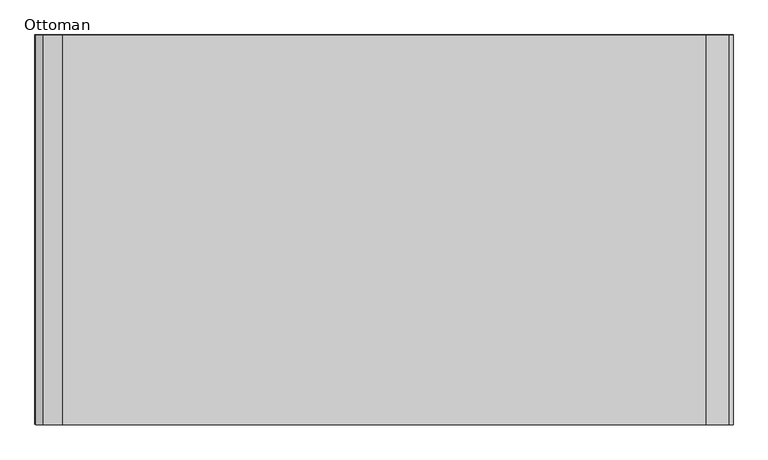
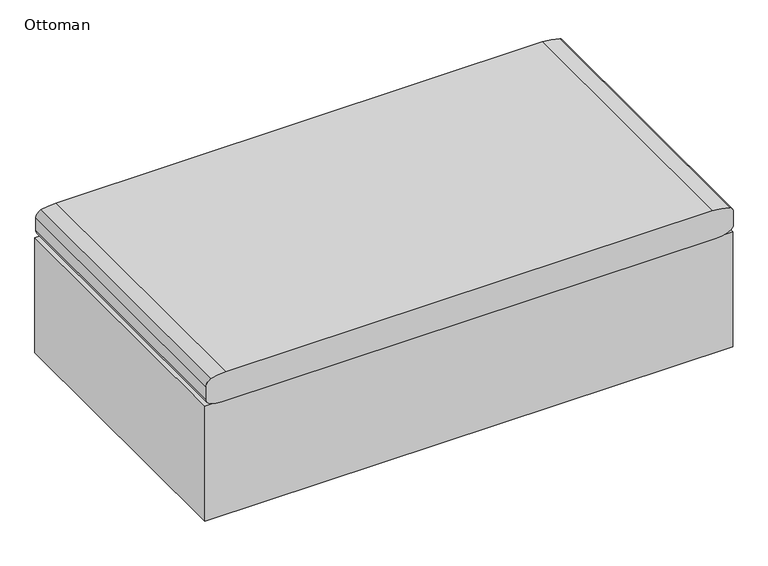
"""IFC4 building model written with IfcOpenShell, lengths in millimetres: furniture geometry, Ottoman."""

from ifc_helpers import new_model, si_unit, point, frame, frame_2d, origin, origin_with_axes, place, context, project, spatial, polyline, circle_curve, trimmed, segment, composite_curve, outline, extrude, source, transform, mapped, element, save


def ottoman_e7d2f5c5(model_context):
    return source(origin(), model_context, "Body", "SweptSolid", [
        extrude(outline(composite_curve([segment(trimmed(circle_curve(frame_2d((363.22793, -1082.5191338)), 17.5514575), [point((363.22793, -1100.0705913))], [point((347.025653, -1089.267458))], False, "CARTESIAN"), True, "CONTINUOUS"), segment(trimmed(circle_curve(frame_2d((423.2873007, -1057.504125)), 82.6120344), [point((347.025653, -1089.267458))], [point((340.6759712, -1057.8453888))], False, "CARTESIAN"), True, "CONTINUOUS"), segment(trimmed(circle_curve(frame_2d((156602.8890824, -412.3329489)), 156263.5463975), [point((340.6759712, -1057.8453888))], [point((340.6759712, 233.1794911))], False, "CARTESIAN"), True, "CONTINUOUS"), segment(trimmed(circle_curve(frame_2d((423.2873007, 232.8382272)), 82.6120344), [point((340.6759712, 233.1794911))], [point((349.3338908, 269.657263))], False, "CARTESIAN"), True, "CONTINUOUS"), segment(trimmed(circle_curve(frame_2d((360.6139755, 264.0412699)), 12.6007812), [point((349.3338908, 269.657263))], [point((360.6139755, 276.6420511))], False, "CARTESIAN"), True, "CONTINUOUS"), segment(polyline([(360.6139755, 276.6420511), (400.4453178, 276.6420511)]), True, "CONTINUOUS"), segment(trimmed(circle_curve(frame_2d((400.4453178, 264.0412699)), 12.6007813), [point((400.4453178, 276.6420511))], [point((412.4572005, 267.8484161))], False, "CARTESIAN"), True, "CONTINUOUS"), segment(trimmed(circle_curve(frame_2d((267.179627, 221.8029313)), 152.4), [point((412.4572005, 267.8484161))], [point((419.578468, 222.3972943))], False, "CARTESIAN"), True, "CONTINUOUS"), segment(trimmed(circle_curve(frame_2d((-162329.7185063, -412.3329489)), 162750.5347091), [point((419.578468, 222.3972943))], [point((419.578468, -1047.0631921))], False, "CARTESIAN"), True, "CONTINUOUS"), segment(trimmed(circle_curve(frame_2d((267.179627, -1046.4688291)), 152.4), [point((419.578468, -1047.0631921))], [point((414.3750051, -1085.9565573))], False, "CARTESIAN"), True, "CONTINUOUS"), segment(trimmed(circle_curve(frame_2d((395.9755828, -1081.0205913)), 19.05), [point((414.3750051, -1085.9565573))], [point((395.9755828, -1100.0705913))], False, "CARTESIAN"), True, "CONTINUOUS"), segment(polyline([(395.9755828, -1100.0705913), (363.22793, -1100.0705913)]), True, "CONTINUOUS")], self_intersect=False)), frame((0.0, -251.7070214, 0.0), z_axis=(0.0, 1.0, 0.0), x_axis=(0.0, 0.0, 1.0)), (0.0, 0.0, 1.0), 768.35),
        extrude(outline(polyline([(276.6420511, 517.525), (276.6420511, -250.825), (-1101.3079489, -250.825), (-1101.3079489, 517.525), (276.6420511, 517.525)])), frame((0.0, 0.0, 25.4000008), z_axis=(0.0, 0.0, 1.0), x_axis=(1.0, 0.0, 0.0)), (0.0, 0.0, 1.0), 317.4999992),
        extrude(outline(polyline([(-949.701708, -98.6993524), (-946.5266837, -101.8743494), (-946.5266837, -146.3243524), (-949.701708, -149.4993494), (-994.1516837, -149.4993494), (-997.326708, -146.3243524), (-997.326708, -101.8743494), (-994.1516837, -98.6993524), (-949.701708, -98.6993524)])), frame((0.0, 0.0, 3.1750001), z_axis=(0.0, 0.0, 1.0), x_axis=(1.0, 0.0, 0.0)), (0.0, 0.0, 1.0), 22.2250007),
        extrude(outline(polyline([(-946.5266837, -95.5243463), (-943.3516959, -98.6993524), (-943.3516959, -149.4993494), (-946.5266837, -152.6743554), (-997.326708, -152.6743554), (-1000.5016959, -149.4993494), (-1000.5016959, -98.6993524), (-997.326708, -95.5243463), (-946.5266837, -95.5243463)])), origin_with_axes(), (0.0, 0.0, 1.0), 3.1750001),
        extrude(outline(polyline([(-949.701708, 415.6506749), (-946.5266837, 412.4756779), (-946.5266837, 368.0256749), (-949.701708, 364.8506779), (-994.1516837, 364.8506779), (-997.326708, 368.0256749), (-997.326708, 412.4756779), (-994.1516837, 415.6506749), (-949.701708, 415.6506749)])), frame((0.0, 0.0, 3.1750001), z_axis=(0.0, 0.0, 1.0), x_axis=(1.0, 0.0, 0.0)), (0.0, 0.0, 1.0), 22.2250007),
        extrude(outline(polyline([(-946.5266837, 418.8256809), (-943.3516959, 415.6506749), (-943.3516959, 364.8506779), (-946.5266837, 361.6756718), (-997.326708, 361.6756718), (-1000.5016959, 364.8506779), (-1000.5016959, 415.6506749), (-997.326708, 418.8256809), (-946.5266837, 418.8256809)])), origin_with_axes(), (0.0, 0.0, 1.0), 3.1750001),
        extrude(outline(polyline([(199.6482769, -98.6993524), (202.8233011, -101.8743494), (202.8233011, -146.3243524), (199.6482769, -149.4993494), (155.1983011, -149.4993494), (152.0232769, -146.3243524), (152.0232769, -101.8743494), (155.1983011, -98.6993524), (199.6482769, -98.6993524)])), frame((0.0, 0.0, 3.1750001), z_axis=(0.0, 0.0, 1.0), x_axis=(1.0, 0.0, 0.0)), (0.0, 0.0, 1.0), 22.2250007),
        extrude(outline(polyline([(202.8233011, -95.5243463), (205.998289, -98.6993524), (205.998289, -149.4993494), (202.8233011, -152.6743554), (152.0232769, -152.6743554), (148.848289, -149.4993494), (148.848289, -98.6993524), (152.0232769, -95.5243463), (202.8233011, -95.5243463)])), origin_with_axes(), (0.0, 0.0, 1.0), 3.1750001),
        extrude(outline(polyline([(199.6482769, 415.6506749), (202.8233011, 412.4756779), (202.8233011, 368.0256749), (199.6482769, 364.8506779), (155.1983011, 364.8506779), (152.0232769, 368.0256749), (152.0232769, 412.4756779), (155.1983011, 415.6506749), (199.6482769, 415.6506749)])), frame((0.0, 0.0, 3.1750001), z_axis=(0.0, 0.0, 1.0), x_axis=(1.0, 0.0, 0.0)), (0.0, 0.0, 1.0), 22.2250007),
        extrude(outline(polyline([(202.8233011, 418.8256809), (205.998289, 415.6506749), (205.998289, 364.8506779), (202.8233011, 361.6756718), (152.0232769, 361.6756718), (148.848289, 364.8506779), (148.848289, 415.6506749), (152.0232769, 418.8256809), (202.8233011, 418.8256809)])), origin_with_axes(), (0.0, 0.0, 1.0), 3.1750001),
    ])


if __name__ == "__main__":
    model = new_model("IFC4")
    model_context = context("Model", 3, world=origin())
    ifc_project = project(units=[si_unit("LENGTHUNIT", "METRE", prefix="MILLI")], contexts=[model_context])
    site = spatial("IfcSite", under=ifc_project)
    building = spatial("IfcBuilding", under=site)
    placement = place(None, origin())
    ottoman_shape = ottoman_e7d2f5c5(model_context)
    element("IfcFurniture", 1, ObjectType="Ottoman", at=placement, inside=building, context=model_context, shape_type="MappedRepresentation", body=[
        mapped(ottoman_shape, transform((0.0, 0.0, 0.0), x_axis=(1.0, 0.0, 0.0), y_axis=(0.0, 1.0, 0.0), z_axis=(0.0, 0.0, 1.0))),
    ])
    save(model, "model.ifc")
